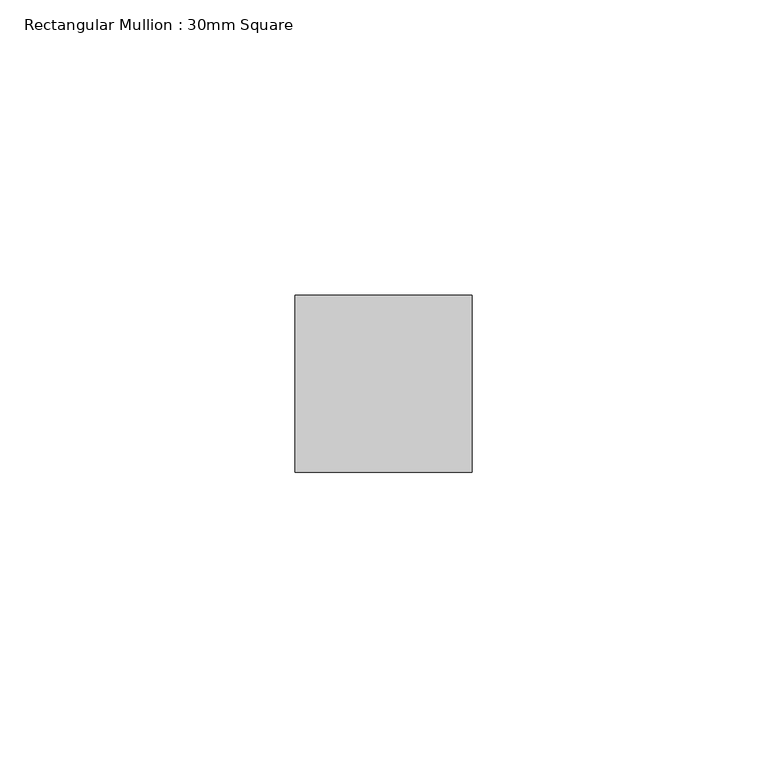
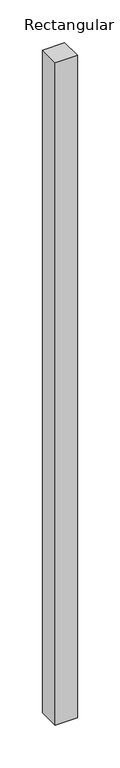
"""IFC4 building model written with IfcOpenShell, lengths in millimetres: member geometry, Rectangular Mullion : 30mm Square."""

from ifc_helpers import new_model, si_unit, frame, origin, place, context, project, spatial, polyline, outline, extrude, source, transform, mapped, element, save


def rectangular_mullion_30mm_square_b5e14948(model_context):
    return source(origin(), model_context, "Body", "SweptSolid", [
        extrude(outline(polyline([(0.0, 15.0), (0.0, -15.0), (-30.0, -15.0), (-30.0, 15.0), (0.0, 15.0)])), frame((0.0, 0.0, -947.8236774), z_axis=(0.0, 0.0, 1.0), x_axis=(1.0, 0.0, 0.0)), (0.0, 0.0, 1.0), 947.8236774),
    ])


if __name__ == "__main__":
    model = new_model("IFC4")
    model_context = context("Model", 3, world=origin())
    ifc_project = project(units=[si_unit("LENGTHUNIT", "METRE", prefix="MILLI")], contexts=[model_context])
    site = spatial("IfcSite", under=ifc_project)
    building = spatial("IfcBuilding", under=site)
    placement = place(None, origin())
    rectangular_mullion_30mm_square_shape = rectangular_mullion_30mm_square_b5e14948(model_context)
    element("IfcMember", 1, ObjectType="Rectangular Mullion : 30mm Square", at=placement, inside=building, context=model_context, shape_type="MappedRepresentation", body=[
        mapped(rectangular_mullion_30mm_square_shape, transform((0.0, 0.0, 0.0), x_axis=(1.0, 0.0, 0.0), y_axis=(0.0, 1.0, 0.0), z_axis=(0.0, 0.0, 1.0))),
    ])
    save(model, "model.ifc")
